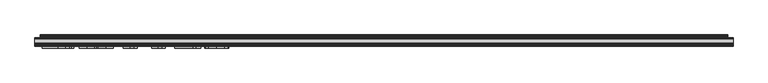
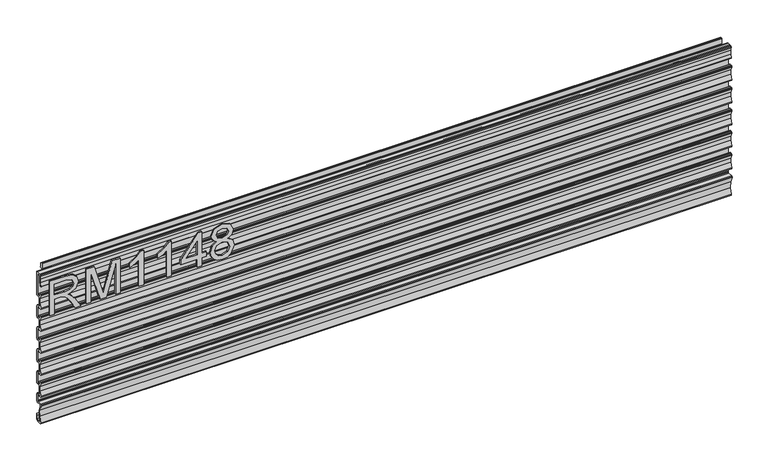
"""IFC4 building model written with IfcOpenShell, lengths in millimetres: furniture geometry."""

from ifc_helpers import new_model, si_unit, frame, origin, place, context, project, spatial, polyline, outline, extrude, source, transform, mapped, element, save


def furniture_d1b838ac(model_context):
    return source(origin(), model_context, "Body", "SweptSolid", [
        extrude(outline(polyline([(-1.5203251, 1100.0315975), (-1.9666925, 1098.9539562), (-3.0443248, 1098.507599), (-7.8320935, 1098.507599), (-9.2304101, 1097.8643606), (-9.6518461, 1096.3835826), (-9.6313991, 1090.0915793), (-11.5619729, 1084.1269724), (-11.1413331, 1081.7230857), (-9.089371, 1081.4978914), (-5.9789805, 1082.4986016), (-3.7842619, 1081.4611831), (-2.8942953, 1079.202818), (-2.8919245, 1059.3916181), (-3.3382919, 1058.3139768), (-4.4159247, 1057.8676014), (-7.8320935, 1057.8675832), (-9.2304101, 1057.2243631), (-9.6518461, 1055.743585), (-9.6313991, 1049.4515817), (-11.5724814, 1043.4664274), (-11.1413331, 1041.0830881), (-9.1141802, 1040.8498937), (-5.9789805, 1041.8585858), (-3.7842619, 1040.8211855), (-2.8919245, 1038.5636016), (-2.8919245, 1018.7516205), (-3.3382919, 1017.6739792), (-4.4159247, 1017.227622), (-7.8320935, 1017.2276038), (-9.2304101, 1016.5843655), (-9.6518461, 1015.1035965), (-9.6313991, 1008.8115841), (-11.5724814, 1002.8264389), (-11.1413331, 1000.4430905), (-9.0893321, 1000.2178997), (-5.9789805, 1001.2185974), (-3.7842619, 1000.181197), (-2.8919245, 997.9236041), (-2.8943033, 978.1108236), (-3.3406707, 977.0331823), (-4.4183029, 976.586816), (-7.8344717, 976.5868069), (-9.2327884, 975.9435685), (-9.6542246, 974.4627995), (-9.6337777, 968.1707872), (-11.5748598, 962.1856419), (-11.1437114, 959.8022936), (-9.0917104, 959.5771027), (-5.9813588, 960.5778004), (-3.7866407, 959.5404001), (-2.8943033, 957.2828071), (-1.5227039, 954.9968184), (-1.5227039, 937.4708215), (-1.9690713, 936.3931892), (-3.0467036, 935.9468184), (-7.8344717, 935.9468184), (-9.2327884, 935.3035846), (-9.654238, 933.823238), (-9.6337777, 927.5308032), (-11.5748598, 921.5456535), (-11.1437114, 919.1623096), (-9.0917751, 918.937122), (-5.9813588, 919.9378165), (-3.7866407, 918.9004161), (-2.8943033, 916.6428323), (-2.8943033, 903.6888219), (-3.3406707, 902.6111896), (-4.4183035, 902.1648188), (-11.1068079, 902.1648188), (-12.8225821, 901.2214466), (-12.9452454, 899.2672577), (-10.0279766, 890.2327483), (-9.4872673, 880.7543286), (-11.3581824, 871.4466709), (-11.0842169, 869.6112207), (-9.4332105, 868.7638047), (-6.2445587, 868.7638047), (-4.2125589, 870.7958175), (-4.2125589, 877.6792097), (-2.4345589, 880.1022449), (-2.4345589, 869.5258284), (-4.9745593, 866.98582), (-12.6521859, 866.98582), (-13.9904925, 867.7087694), (-14.1195375, 869.2243762), (-11.3316765, 880.0257836), (-12.0331893, 891.1590884), (-16.1548177, 901.5251277), (-16.1700216, 903.1339775), (-14.779196, 903.9428217), (-6.7043047, 903.9428217), (-5.2674625, 904.5379797), (-4.6723027, 905.9748016), (-4.6723027, 916.6428323), (-5.5450312, 918.0206551), (-7.1636727, 917.8204402), (-8.1594576, 917.177865), (-10.4526026, 916.6428323), (-13.9219, 916.6428323), (-15.3647113, 917.5509618), (-15.1698992, 919.2445857), (-11.6317274, 926.5529287), (-11.631722, 934.6726865), (-15.1698838, 941.981034), (-15.51787, 943.0988982), (-15.0115257, 944.1545205), (-13.9218993, 944.5828192), (-11.1493029, 944.5828192), (-10.4473985, 944.23939), (-10.287795, 943.4744476), (-10.7938049, 942.8789988), (-11.769159, 940.050892), (-11.2028935, 938.9112041), (-9.3552086, 937.7248167), (-6.7043047, 937.7248349), (-5.2674625, 938.3199929), (-4.6723027, 939.7568375), (-4.6723027, 957.2828071), (-5.5450312, 958.6606391), (-7.1636727, 958.4604242), (-8.1594576, 957.817849), (-10.4526026, 957.2828162), (-13.9219, 957.2828162), (-15.3647113, 958.1909457), (-15.169882, 959.8845924), (-11.6317274, 967.1929126), (-11.631722, 975.3126659), (-15.1698838, 982.6210134), (-15.51787, 983.7388867), (-15.0115257, 984.794509), (-13.9218993, 985.2228077), (-11.1493029, 985.2228077), (-10.4473985, 984.8793785), (-10.287795, 984.1144361), (-10.7938049, 983.5189782), (-11.769159, 980.6908805), (-11.2028935, 979.5511881), (-9.3552086, 978.3648052), (-6.7043047, 978.3648143), (-5.2674625, 978.9599814), (-4.6723027, 980.3968214), (-4.6699245, 997.9236041), (-5.5426529, 999.301436), (-7.1612939, 999.1012211), (-8.1570793, 998.4586459), (-10.4502244, 997.9236132), (-13.9195216, 997.9236132), (-15.362333, 998.8317427), (-15.1675208, 1000.5253711), (-11.629349, 1007.8337096), (-11.6293436, 1015.9534719), (-15.1675055, 1023.2618104), (-15.5154916, 1024.3796745), (-15.0091473, 1025.4352969), (-13.919521, 1025.8635956), (-11.1469245, 1025.8635956), (-10.4450199, 1025.5201754), (-10.2854168, 1024.755233), (-10.7914264, 1024.1597752), (-11.7667806, 1021.3316774), (-11.2005151, 1020.1919941), (-9.3528301, 1019.0056021), (-6.7019265, 1019.0056203), (-5.2650842, 1019.6007693), (-4.6699245, 1021.0376184), (-4.6699245, 1038.5636016), (-5.5426529, 1039.9414245), (-7.1612939, 1039.7412187), (-8.1570793, 1039.0986344), (-10.4502238, 1038.5636016), (-13.9195216, 1038.5636016), (-15.362333, 1039.4717403), (-15.1675036, 1041.1653869), (-11.629349, 1048.4736981), (-11.6293436, 1056.5934604), (-15.1675055, 1063.9018079), (-15.5154916, 1065.0196721), (-15.0091473, 1066.0752945), (-13.919521, 1066.5035932), (-11.1469245, 1066.5035932), (-10.4450199, 1066.160173), (-10.2854168, 1065.3952306), (-10.7914264, 1064.7997728), (-11.7667806, 1061.971675), (-11.2005151, 1060.8319735), (-9.3528301, 1059.6455997), (-6.7019265, 1059.6455997), (-5.2650842, 1060.2407669), (-4.6722953, 1061.6768166), (-4.6699245, 1079.2035992), (-5.5426529, 1080.5814221), (-7.1612939, 1080.3812163), (-8.1570793, 1079.7386501), (-10.4502238, 1079.2036174), (-13.9195216, 1079.2036174), (-15.362333, 1080.1117378), (-15.1675208, 1081.8053663), (-11.629349, 1089.1136956), (-11.6293436, 1097.233458), (-15.1675055, 1104.5418055), (-15.5154916, 1105.6596697), (-15.0091473, 1106.715292), (-13.919521, 1107.1435907), (-11.1469245, 1107.1435907), (-10.4450199, 1106.8001706), (-10.2854168, 1106.0352282), (-10.7914264, 1105.4397703), (-11.7667806, 1102.6116726), (-11.2005151, 1101.4719893), (-9.3528301, 1100.2855973), (-6.7019265, 1100.2856155), (-5.2650842, 1100.8807644), (-4.6699245, 1102.3176135), (-4.6722953, 1138.3848161), (-6.7042957, 1140.4168141), (-8.7022527, 1140.4168141), (-10.7230161, 1138.1714207), (-10.7357771, 1129.3350414), (-12.6188845, 1120.7016113), (-13.7438958, 1120.1392183), (-14.3053705, 1121.2646947), (-12.7931065, 1127.3965333), (-12.2716973, 1133.6934782), (-12.7552606, 1139.9934388), (-12.3214977, 1141.5276475), (-10.873458, 1142.1948125), (-4.4182956, 1142.1948125), (-3.340665, 1141.7484553), (-2.8942953, 1140.6708139), (-2.8942953, 1123.9068117), (-1.5226959, 1122.5352203), (-1.5203251, 1100.0315975)])), frame((-298.2019531, 0.0, 0.0), z_axis=(1.0, 0.0, 0.0), x_axis=(0.0, 1.0, 0.0)), (0.0, 0.0, 1.0), 1205.992),
        extrude(outline(polyline([(1065.5157553, -285.1229953), (1065.5157553, -277.1492757), (1093.423774, -277.1492757), (1093.423774, -267.524747), (1093.1434479, -262.8993666), (1091.6250149, -259.1071777), (1087.4902053, -254.8944997), (1078.7378021, -248.8986363), (1065.5157553, -240.5978696), (1065.5157553, -231.3315353), (1082.8025302, -241.9683526), (1091.0098549, -248.4314262), (1094.4204889, -252.9633645), (1100.3540576, -239.6089415), (1111.8474269, -235.2872477), (1121.4953162, -237.8958376), (1127.5846216, -244.8728423), (1129.3055122, -257.6354658), (1129.3055122, -285.1229953), (1065.5157553, -285.1229953)]), holes=[polyline([(1101.3974936, -277.1492757), (1121.3317926, -277.1492757), (1121.3317926, -257.292845), (1118.5752528, -246.6326671), (1111.5515272, -243.2609673), (1106.1396764, -245.028579), (1102.5265847, -250.1990378), (1101.3974936, -259.3018486), (1101.3974936, -277.1492757)])]), frame((0.0, -19.3508892, 0.0), z_axis=(0.0, 1.0, 0.0), x_axis=(0.0, 0.0, 1.0)), (0.0, 0.0, 1.0), 2.38125),
        extrude(outline(polyline([(1065.5157553, -221.3332384), (1065.5157553, -213.3595188), (1121.3317926, -213.3595188), (1065.5157553, -197.3342112), (1065.5157553, -186.5260834), (1121.3317926, -170.5007758), (1065.5157553, -170.5007758), (1065.5157553, -162.5270562), (1129.3055122, -162.5270562), (1129.3055122, -176.2474605), (1085.1230072, -189.0801655), (1074.9534, -191.9301473), (1084.3443237, -194.5620977), (1129.3055122, -207.6128341), (1129.3055122, -221.3332384), (1065.5157553, -221.3332384)])), frame((0.0, -19.3508892, 0.0), z_axis=(0.0, 1.0, 0.0), x_axis=(0.0, 0.0, 1.0)), (0.0, 0.0, 1.0), 2.38125),
        extrude(outline(polyline([(1065.5157553, -121.6617432), (1129.3055122, -121.6617432), (1129.3055122, -126.8010546), (1120.8178615, -133.8948618), (1113.358073, -145.582902), (1105.8204162, -145.582902), (1109.8462102, -137.1886933), (1115.2269135, -129.6354628), (1065.5157553, -129.6354628), (1065.5157553, -121.6617432)])), frame((0.0, -19.3508892, 0.0), z_axis=(0.0, 1.0, 0.0), x_axis=(0.0, 0.0, 1.0)), (0.0, 0.0, 1.0), 2.38125),
        extrude(outline(polyline([(1065.5157553, -72.8227105), (1129.3055122, -72.8227105), (1129.3055122, -77.962022), (1120.8178615, -85.0558292), (1113.358073, -96.7438694), (1105.8204162, -96.7438694), (1109.8462102, -88.3496606), (1115.2269135, -80.7964301), (1065.5157553, -80.7964301), (1065.5157553, -72.8227105)])), frame((0.0, -19.3508892, 0.0), z_axis=(0.0, 1.0, 0.0), x_axis=(0.0, 0.0, 1.0)), (0.0, 0.0, 1.0), 2.38125),
        extrude(outline(polyline([(1065.5157553, -27.9705376), (1065.5157553, -19.996818), (1080.4664796, -19.996818), (1080.4664796, -12.0230984), (1088.4401992, -12.0230984), (1088.4401992, -19.996818), (1128.3087973, -19.996818), (1128.3087973, -25.9771077), (1088.4401992, -56.8752713), (1080.4664796, -56.8752713), (1080.4664796, -27.9705376), (1065.5157553, -27.9705376)]), holes=[polyline([(1088.4401992, -27.9705376), (1088.4401992, -47.0638585), (1113.0777469, -27.9705376), (1088.4401992, -27.9705376)])]), frame((0.0, -19.3508892, 0.0), z_axis=(0.0, 1.0, 0.0), x_axis=(0.0, 0.0, 1.0)), (0.0, 0.0, 1.0), 2.38125),
        extrude(outline(polyline([(1100.6499574, 6.5718649), (1094.8565517, -2.0248015), (1084.2976027, -5.0460937), (1076.5399677, -3.6055292), (1070.1800698, 0.7161646), (1065.9342977, 7.3894826), (1064.5190403, 15.8849203), (1065.9284576, 24.3803579), (1070.1567093, 31.0536759), (1084.0795713, 36.8159342), (1094.3971284, 33.9114446), (1100.6499574, 25.4315807), (1105.5790243, 32.4942405), (1113.0933206, 34.8225043), (1124.5866899, 29.5897508), (1129.3055122, 15.7759046), (1124.6957056, 2.0866476), (1113.311352, -3.0526638), (1105.6023848, -0.6932527), (1100.6499574, 6.5718649)]), holes=[polyline([(1113.0777469, 4.9210558), (1118.9022999, 7.7943981), (1121.3317926, 15.8849203), (1118.8477921, 23.9520819), (1112.7195525, 26.8487847), (1106.8015575, 24.0455239), (1104.3876384, 15.9783623), (1106.8171311, 7.7476771), (1113.0777469, 4.9210558)]), polyline([(1084.5779288, 2.9276259), (1093.0344322, 6.2993257), (1096.4139188, 15.6824625), (1092.9877112, 25.3381386), (1084.32875, 28.8422146), (1075.8333124, 25.4471543), (1072.49276, 15.9472149), (1074.0812744, 8.9702103), (1078.5742785, 4.2591748), (1084.5779288, 2.9276259)])]), frame((0.0, -19.3508892, 0.0), z_axis=(0.0, 1.0, 0.0), x_axis=(0.0, 0.0, 1.0)), (0.0, 0.0, 1.0), 2.38125),
        extrude(outline(polyline([(-2.4778341, 1142.2634102), (-1.9926973, 1143.1036919), (-1.9926973, 1152.1694007), (-1.230698, 1152.9314), (0.2933028, 1152.9314), (1.6339822, 1152.5140926), (2.500959, 1151.4095816), (2.5879063, 1150.0081591), (1.8645471, 1147.0497459), (2.0301563, 1145.8467307), (3.3001562, 1143.6470103), (2.4041842, 1143.1297244), (-1.230698, 1143.1297244), (-1.1114397, 1142.2634102), (-1.9926973, 1142.2634102), (-1.9926973, 1121.6876253), (-2.4778341, 1120.6472459), (-2.4778341, 1142.2634102)])), frame((-288.6709995, 0.0, 0.0), z_axis=(1.0, 0.0, 0.0), x_axis=(0.0, 1.0, 0.0)), (0.0, 0.0, 1.0), 1186.9420058),
        extrude(outline(polyline([(-2.4778341, 1142.2806154), (-2.4778341, 1138.9507314), (-11.2152663, 1138.9507314), (-12.3431975, 1139.1056093), (-13.7180128, 1139.8993654), (-13.7180128, 1141.4868593), (-12.3431975, 1142.2806154), (-2.4778341, 1142.2806154)])), frame((-298.2019531, 0.0, 0.0), z_axis=(1.0, 0.0, 0.0), x_axis=(0.0, 1.0, 0.0)), (0.0, 0.0, 1.0), 1206.0039063),
    ])


if __name__ == "__main__":
    model = new_model("IFC4")
    model_context = context("Model", 3, world=origin())
    ifc_project = project(units=[si_unit("LENGTHUNIT", "METRE", prefix="MILLI")], contexts=[model_context])
    site = spatial("IfcSite", under=ifc_project)
    building = spatial("IfcBuilding", under=site)
    placement = place(None, origin())
    furniture_shape = furniture_d1b838ac(model_context)
    element("IfcFurniture", 1, at=placement, inside=building, context=model_context, shape_type="MappedRepresentation", body=[
        mapped(furniture_shape, transform((0.0, 0.0, 0.0), x_axis=(1.0, 0.0, 0.0), y_axis=(0.0, 1.0, 0.0), z_axis=(0.0, 0.0, 1.0))),
    ])
    save(model, "model.ifc")
